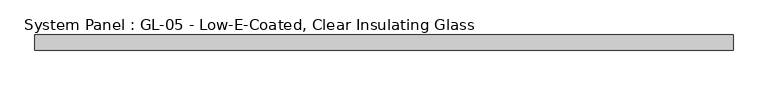
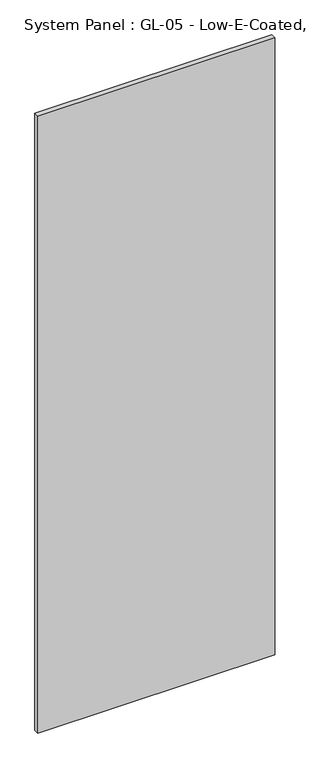
"""IFC4 building model written with IfcOpenShell, lengths in millimetres: plate geometry, System Panel : GL-05 - Low-E-Coated, Clear Insulating Glass."""

from ifc_helpers import new_model, si_unit, origin, origin_with_axes, place, context, project, spatial, polyline, outline, extrude, source, transform, mapped, element, save


def system_panel_gl_05_low_e_coated_clear_insulating_glass_7d0a9691(model_context):
    return source(origin(), model_context, "Body", "SweptSolid", [
        extrude(outline(polyline([(571.5, -12.7), (-571.5, -12.7), (-571.5, 12.7), (571.5, 12.7), (571.5, -12.7)])), origin_with_axes(), (0.0, 0.0, 1.0), 3149.6),
    ])


if __name__ == "__main__":
    model = new_model("IFC4")
    model_context = context("Model", 3, world=origin())
    ifc_project = project(units=[si_unit("LENGTHUNIT", "METRE", prefix="MILLI")], contexts=[model_context])
    site = spatial("IfcSite", under=ifc_project)
    building = spatial("IfcBuilding", under=site)
    placement = place(None, origin())
    system_panel_gl_05_low_e_coated_clear_insulating_glass_shape = system_panel_gl_05_low_e_coated_clear_insulating_glass_7d0a9691(model_context)
    element("IfcPlate", 1, ObjectType="System Panel : GL-05 - Low-E-Coated, Clear Insulating Glass", at=placement, inside=building, context=model_context, shape_type="MappedRepresentation", body=[
        mapped(system_panel_gl_05_low_e_coated_clear_insulating_glass_shape, transform((0.0, 0.0, 0.0), x_axis=(1.0, 0.0, 0.0), y_axis=(0.0, 1.0, 0.0), z_axis=(0.0, 0.0, 1.0))),
    ])
    save(model, "model.ifc")
